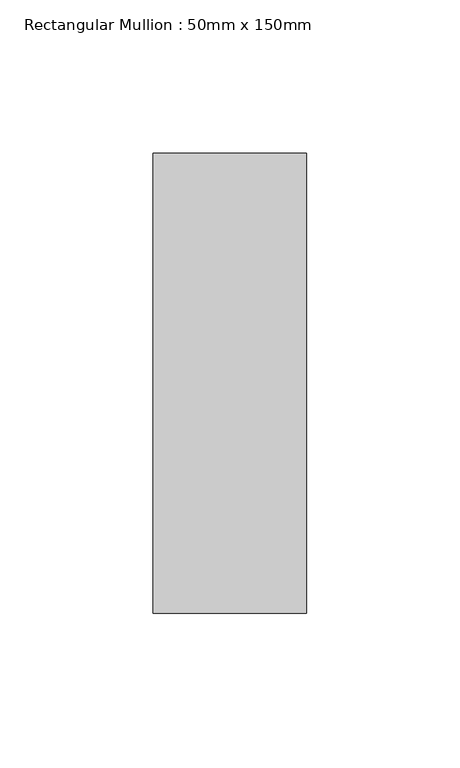
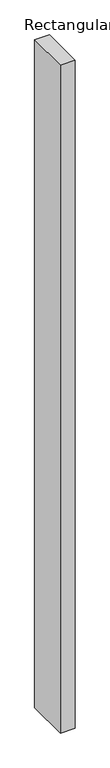
"""IFC4 building model written with IfcOpenShell, lengths in millimetres: member geometry, Rectangular Mullion : 50mm x 150mm."""

from ifc_helpers import new_model, si_unit, frame, origin, place, context, project, spatial, polyline, outline, extrude, source, transform, mapped, element, save


def rectangular_mullion_50mm_x_150mm_05f6e914(model_context):
    return source(origin(), model_context, "Body", "SweptSolid", [
        extrude(outline(polyline([(25.0, 75.0), (25.0, -75.0), (-25.0, -75.0), (-25.0, 75.0), (25.0, 75.0)])), frame((0.0, 0.0, -2376.8533559), z_axis=(0.0, 0.0, 1.0), x_axis=(1.0, 0.0, 0.0)), (0.0, 0.0, 1.0), 2376.8533559),
    ])


if __name__ == "__main__":
    model = new_model("IFC4")
    model_context = context("Model", 3, world=origin())
    ifc_project = project(units=[si_unit("LENGTHUNIT", "METRE", prefix="MILLI")], contexts=[model_context])
    site = spatial("IfcSite", under=ifc_project)
    building = spatial("IfcBuilding", under=site)
    placement = place(None, origin())
    rectangular_mullion_50mm_x_150mm_shape = rectangular_mullion_50mm_x_150mm_05f6e914(model_context)
    element("IfcMember", 1, ObjectType="Rectangular Mullion : 50mm x 150mm", at=placement, inside=building, context=model_context, shape_type="MappedRepresentation", body=[
        mapped(rectangular_mullion_50mm_x_150mm_shape, transform((0.0, 0.0, 0.0), x_axis=(1.0, 0.0, 0.0), y_axis=(0.0, 1.0, 0.0), z_axis=(0.0, 0.0, 1.0))),
    ])
    save(model, "model.ifc")
